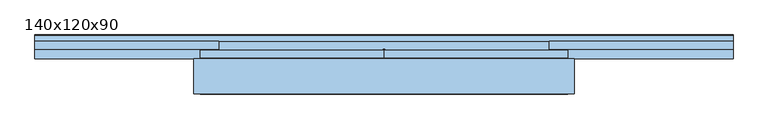
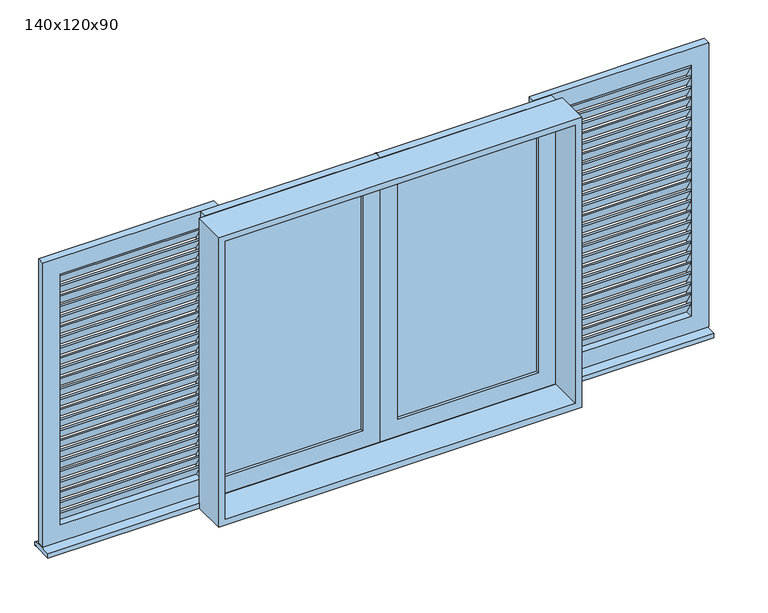
"""IFC4 building model written with IfcOpenShell, lengths in millimetres: window geometry, 140x120x90."""

from ifc_helpers import new_model, si_unit, point, frame, frame_2d, origin, place, context, project, spatial, polyline, circle_curve, trimmed, segment, composite_curve, outline, extrude, source, transform, mapped, element, save
from ifc_brep_helpers import plane_surface, cylinder_surface, revolved_surface, advanced_brep


def window_140x120x90_8c7393fc(model_context):
    return source(origin(), model_context, "Body", "SolidModel", [
        extrude(outline(polyline([(103.3273038, 1021.3496198), (103.3273038, 1013.5750173), (73.3273038, 1063.5750173), (73.3273038, 1071.3496198), (103.3273038, 1021.3496198)])), frame((-1260.0, 0.0, 0.0), z_axis=(1.0, 0.0, 0.0), x_axis=(0.0, 1.0, 0.0)), (0.0, 0.0, 1.0), 560.0),
        extrude(outline(polyline([(103.3273038, 1064.9246371), (103.3273038, 1057.1500346), (73.3273038, 1107.1500346), (73.3273038, 1114.9246371), (103.3273038, 1064.9246371)])), frame((-1260.0, 0.0, 0.0), z_axis=(1.0, 0.0, 0.0), x_axis=(0.0, 1.0, 0.0)), (0.0, 0.0, 1.0), 560.0),
        extrude(outline(polyline([(103.3273038, 1108.4996544), (103.3273038, 1100.7250518), (73.3273038, 1150.7250518), (73.3273038, 1158.4996544), (103.3273038, 1108.4996544)])), frame((-1260.0, 0.0, 0.0), z_axis=(1.0, 0.0, 0.0), x_axis=(0.0, 1.0, 0.0)), (0.0, 0.0, 1.0), 560.0),
        extrude(outline(polyline([(103.3273038, 1152.0746717), (103.3273038, 1144.3000691), (73.3273038, 1194.3000691), (73.3273038, 1202.0746717), (103.3273038, 1152.0746717)])), frame((-1260.0, 0.0, 0.0), z_axis=(1.0, 0.0, 0.0), x_axis=(0.0, 1.0, 0.0)), (0.0, 0.0, 1.0), 560.0),
        extrude(outline(polyline([(103.3273038, 1195.6496889), (103.3273038, 1187.8750864), (73.3273038, 1237.8750864), (73.3273038, 1245.6496889), (103.3273038, 1195.6496889)])), frame((-1260.0, 0.0, 0.0), z_axis=(1.0, 0.0, 0.0), x_axis=(0.0, 1.0, 0.0)), (0.0, 0.0, 1.0), 560.0),
        extrude(outline(polyline([(103.3273038, 1239.2247062), (103.3273038, 1231.4501037), (73.3273038, 1281.4501037), (73.3273038, 1289.2247062), (103.3273038, 1239.2247062)])), frame((-1260.0, 0.0, 0.0), z_axis=(1.0, 0.0, 0.0), x_axis=(0.0, 1.0, 0.0)), (0.0, 0.0, 1.0), 560.0),
        extrude(outline(polyline([(103.3273038, 1282.7997235), (103.3273038, 1275.025121), (73.3273038, 1325.025121), (73.3273038, 1332.7997235), (103.3273038, 1282.7997235)])), frame((-1260.0, 0.0, 0.0), z_axis=(1.0, 0.0, 0.0), x_axis=(0.0, 1.0, 0.0)), (0.0, 0.0, 1.0), 560.0),
        extrude(outline(polyline([(103.3273038, 1326.3747408), (103.3273038, 1318.6001383), (73.3273038, 1368.6001383), (73.3273038, 1376.3747408), (103.3273038, 1326.3747408)])), frame((-1260.0, 0.0, 0.0), z_axis=(1.0, 0.0, 0.0), x_axis=(0.0, 1.0, 0.0)), (0.0, 0.0, 1.0), 560.0),
        extrude(outline(polyline([(103.3273038, 1369.9497581), (103.3273038, 1362.1751555), (73.3273038, 1412.1751555), (73.3273038, 1419.9497581), (103.3273038, 1369.9497581)])), frame((-1260.0, 0.0, 0.0), z_axis=(1.0, 0.0, 0.0), x_axis=(0.0, 1.0, 0.0)), (0.0, 0.0, 1.0), 560.0),
        extrude(outline(polyline([(103.3273038, 1413.5247753), (103.3273038, 1405.7501728), (73.3273038, 1455.7501728), (73.3273038, 1463.5247753), (103.3273038, 1413.5247753)])), frame((-1260.0, 0.0, 0.0), z_axis=(1.0, 0.0, 0.0), x_axis=(0.0, 1.0, 0.0)), (0.0, 0.0, 1.0), 560.0),
        extrude(outline(polyline([(103.3273038, 1457.0997926), (103.3273038, 1449.3251901), (73.3273038, 1499.3251901), (73.3273038, 1507.0997926), (103.3273038, 1457.0997926)])), frame((-1260.0, 0.0, 0.0), z_axis=(1.0, 0.0, 0.0), x_axis=(0.0, 1.0, 0.0)), (0.0, 0.0, 1.0), 560.0),
        extrude(outline(polyline([(103.3273038, 1500.6748099), (103.3273038, 1492.9002074), (73.3273038, 1542.9002074), (73.3273038, 1550.6748099), (103.3273038, 1500.6748099)])), frame((-1260.0, 0.0, 0.0), z_axis=(1.0, 0.0, 0.0), x_axis=(0.0, 1.0, 0.0)), (0.0, 0.0, 1.0), 560.0),
        extrude(outline(polyline([(103.3273038, 1544.2498272), (103.3273038, 1536.4752247), (73.3273038, 1586.4752247), (73.3273038, 1594.2498272), (103.3273038, 1544.2498272)])), frame((-1260.0, 0.0, 0.0), z_axis=(1.0, 0.0, 0.0), x_axis=(0.0, 1.0, 0.0)), (0.0, 0.0, 1.0), 560.0),
        extrude(outline(polyline([(103.3273038, 1587.8248445), (103.3273038, 1580.0502419), (73.3273038, 1630.0502419), (73.3273038, 1637.8248445), (103.3273038, 1587.8248445)])), frame((-1260.0, 0.0, 0.0), z_axis=(1.0, 0.0, 0.0), x_axis=(0.0, 1.0, 0.0)), (0.0, 0.0, 1.0), 560.0),
        extrude(outline(polyline([(103.3273038, 1631.3998617), (103.3273038, 1623.6252592), (73.3273038, 1673.6252592), (73.3273038, 1681.3998617), (103.3273038, 1631.3998617)])), frame((-1260.0, 0.0, 0.0), z_axis=(1.0, 0.0, 0.0), x_axis=(0.0, 1.0, 0.0)), (0.0, 0.0, 1.0), 560.0),
        extrude(outline(polyline([(103.3273038, 1674.974879), (103.3273038, 1667.2002765), (73.3273038, 1717.2002765), (73.3273038, 1724.974879), (103.3273038, 1674.974879)])), frame((-1260.0, 0.0, 0.0), z_axis=(1.0, 0.0, 0.0), x_axis=(0.0, 1.0, 0.0)), (0.0, 0.0, 1.0), 560.0),
        extrude(outline(polyline([(103.3273038, 1718.5498963), (103.3273038, 1710.7752938), (73.3273038, 1760.7752938), (73.3273038, 1768.5498963), (103.3273038, 1718.5498963)])), frame((-1260.0, 0.0, 0.0), z_axis=(1.0, 0.0, 0.0), x_axis=(0.0, 1.0, 0.0)), (0.0, 0.0, 1.0), 560.0),
        extrude(outline(polyline([(103.3273038, 1762.1249136), (103.3273038, 1754.3503111), (73.3273038, 1804.3503111), (73.3273038, 1812.1249136), (103.3273038, 1762.1249136)])), frame((-1260.0, 0.0, 0.0), z_axis=(1.0, 0.0, 0.0), x_axis=(0.0, 1.0, 0.0)), (0.0, 0.0, 1.0), 560.0),
        extrude(outline(polyline([(103.3273038, 1805.6999309), (103.3273038, 1797.9253283), (73.3273038, 1847.9253283), (73.3273038, 1855.6999309), (103.3273038, 1805.6999309)])), frame((-1260.0, 0.0, 0.0), z_axis=(1.0, 0.0, 0.0), x_axis=(0.0, 1.0, 0.0)), (0.0, 0.0, 1.0), 560.0),
        extrude(outline(polyline([(103.3273038, 1849.2749482), (103.3273038, 1841.5003456), (73.3273038, 1891.5003456), (73.3273038, 1899.2749482), (103.3273038, 1849.2749482)])), frame((-1260.0, 0.0, 0.0), z_axis=(1.0, 0.0, 0.0), x_axis=(0.0, 1.0, 0.0)), (0.0, 0.0, 1.0), 560.0),
        extrude(outline(polyline([(103.3273038, 1892.8499654), (103.3273038, 1885.0753629), (73.3273038, 1935.0753629), (73.3273038, 1942.8499654), (103.3273038, 1892.8499654)])), frame((-1260.0, 0.0, 0.0), z_axis=(1.0, 0.0, 0.0), x_axis=(0.0, 1.0, 0.0)), (0.0, 0.0, 1.0), 560.0),
        extrude(outline(polyline([(103.3273038, 1936.4249827), (103.3273038, 1928.6503802), (73.3273038, 1978.6503802), (73.3273038, 1986.4249827), (103.3273038, 1936.4249827)])), frame((-1260.0, 0.0, 0.0), z_axis=(1.0, 0.0, 0.0), x_axis=(0.0, 1.0, 0.0)), (0.0, 0.0, 1.0), 560.0),
        extrude(outline(polyline([(103.3273038, 977.7746025), (103.3273038, 970.0), (73.3273038, 1020.0), (73.3273038, 1027.7746025), (103.3273038, 977.7746025)])), frame((-1260.0, 0.0, 0.0), z_axis=(1.0, 0.0, 0.0), x_axis=(0.0, 1.0, 0.0)), (0.0, 0.0, 1.0), 560.0),
        extrude(outline(polyline([(103.3273038, 1980.0), (103.3273038, 1972.2253975), (73.3273038, 2022.2253975), (73.3273038, 2030.0), (103.3273038, 1980.0)])), frame((-1260.0, 0.0, 0.0), z_axis=(1.0, 0.0, 0.0), x_axis=(0.0, 1.0, 0.0)), (0.0, 0.0, 1.0), 560.0),
        extrude(outline(polyline([(2100.0, -1330.0), (900.0, -1330.0), (900.0, -630.0), (2100.0, -630.0), (2100.0, -1330.0)]), holes=[polyline([(2030.0, -1260.0), (2030.0, -700.0), (970.0, -700.0), (970.0, -1260.0), (2030.0, -1260.0)])]), frame((0.0, 73.3273038, 0.0), z_axis=(0.0, 1.0, 0.0), x_axis=(0.0, 0.0, 1.0)), (0.0, 0.0, 1.0), 30.0),
        extrude(outline(polyline([(103.3273038, 1021.3496198), (103.3273038, 1013.5750173), (73.3273038, 1063.5750173), (73.3273038, 1071.3496198), (103.3273038, 1021.3496198)])), frame((700.0, 0.0, 0.0), z_axis=(1.0, 0.0, 0.0), x_axis=(0.0, 1.0, 0.0)), (0.0, 0.0, 1.0), 560.0),
        extrude(outline(polyline([(103.3273038, 1064.9246371), (103.3273038, 1057.1500346), (73.3273038, 1107.1500346), (73.3273038, 1114.9246371), (103.3273038, 1064.9246371)])), frame((700.0, 0.0, 0.0), z_axis=(1.0, 0.0, 0.0), x_axis=(0.0, 1.0, 0.0)), (0.0, 0.0, 1.0), 560.0),
        extrude(outline(polyline([(103.3273038, 1108.4996544), (103.3273038, 1100.7250518), (73.3273038, 1150.7250518), (73.3273038, 1158.4996544), (103.3273038, 1108.4996544)])), frame((700.0, 0.0, 0.0), z_axis=(1.0, 0.0, 0.0), x_axis=(0.0, 1.0, 0.0)), (0.0, 0.0, 1.0), 560.0),
        extrude(outline(polyline([(103.3273038, 1152.0746717), (103.3273038, 1144.3000691), (73.3273038, 1194.3000691), (73.3273038, 1202.0746717), (103.3273038, 1152.0746717)])), frame((700.0, 0.0, 0.0), z_axis=(1.0, 0.0, 0.0), x_axis=(0.0, 1.0, 0.0)), (0.0, 0.0, 1.0), 560.0),
        extrude(outline(polyline([(103.3273038, 1195.6496889), (103.3273038, 1187.8750864), (73.3273038, 1237.8750864), (73.3273038, 1245.6496889), (103.3273038, 1195.6496889)])), frame((700.0, 0.0, 0.0), z_axis=(1.0, 0.0, 0.0), x_axis=(0.0, 1.0, 0.0)), (0.0, 0.0, 1.0), 560.0),
        extrude(outline(polyline([(103.3273038, 1239.2247062), (103.3273038, 1231.4501037), (73.3273038, 1281.4501037), (73.3273038, 1289.2247062), (103.3273038, 1239.2247062)])), frame((700.0, 0.0, 0.0), z_axis=(1.0, 0.0, 0.0), x_axis=(0.0, 1.0, 0.0)), (0.0, 0.0, 1.0), 560.0),
        extrude(outline(polyline([(103.3273038, 1282.7997235), (103.3273038, 1275.025121), (73.3273038, 1325.025121), (73.3273038, 1332.7997235), (103.3273038, 1282.7997235)])), frame((700.0, 0.0, 0.0), z_axis=(1.0, 0.0, 0.0), x_axis=(0.0, 1.0, 0.0)), (0.0, 0.0, 1.0), 560.0),
        extrude(outline(polyline([(103.3273038, 1326.3747408), (103.3273038, 1318.6001383), (73.3273038, 1368.6001383), (73.3273038, 1376.3747408), (103.3273038, 1326.3747408)])), frame((700.0, 0.0, 0.0), z_axis=(1.0, 0.0, 0.0), x_axis=(0.0, 1.0, 0.0)), (0.0, 0.0, 1.0), 560.0),
        extrude(outline(polyline([(103.3273038, 1369.9497581), (103.3273038, 1362.1751555), (73.3273038, 1412.1751555), (73.3273038, 1419.9497581), (103.3273038, 1369.9497581)])), frame((700.0, 0.0, 0.0), z_axis=(1.0, 0.0, 0.0), x_axis=(0.0, 1.0, 0.0)), (0.0, 0.0, 1.0), 560.0),
        extrude(outline(polyline([(103.3273038, 1413.5247753), (103.3273038, 1405.7501728), (73.3273038, 1455.7501728), (73.3273038, 1463.5247753), (103.3273038, 1413.5247753)])), frame((700.0, 0.0, 0.0), z_axis=(1.0, 0.0, 0.0), x_axis=(0.0, 1.0, 0.0)), (0.0, 0.0, 1.0), 560.0),
        extrude(outline(polyline([(103.3273038, 1457.0997926), (103.3273038, 1449.3251901), (73.3273038, 1499.3251901), (73.3273038, 1507.0997926), (103.3273038, 1457.0997926)])), frame((700.0, 0.0, 0.0), z_axis=(1.0, 0.0, 0.0), x_axis=(0.0, 1.0, 0.0)), (0.0, 0.0, 1.0), 560.0),
        extrude(outline(polyline([(103.3273038, 1500.6748099), (103.3273038, 1492.9002074), (73.3273038, 1542.9002074), (73.3273038, 1550.6748099), (103.3273038, 1500.6748099)])), frame((700.0, 0.0, 0.0), z_axis=(1.0, 0.0, 0.0), x_axis=(0.0, 1.0, 0.0)), (0.0, 0.0, 1.0), 560.0),
        extrude(outline(polyline([(103.3273038, 1544.2498272), (103.3273038, 1536.4752247), (73.3273038, 1586.4752247), (73.3273038, 1594.2498272), (103.3273038, 1544.2498272)])), frame((700.0, 0.0, 0.0), z_axis=(1.0, 0.0, 0.0), x_axis=(0.0, 1.0, 0.0)), (0.0, 0.0, 1.0), 560.0),
        extrude(outline(polyline([(103.3273038, 1587.8248445), (103.3273038, 1580.0502419), (73.3273038, 1630.0502419), (73.3273038, 1637.8248445), (103.3273038, 1587.8248445)])), frame((700.0, 0.0, 0.0), z_axis=(1.0, 0.0, 0.0), x_axis=(0.0, 1.0, 0.0)), (0.0, 0.0, 1.0), 560.0),
        extrude(outline(polyline([(103.3273038, 1631.3998617), (103.3273038, 1623.6252592), (73.3273038, 1673.6252592), (73.3273038, 1681.3998617), (103.3273038, 1631.3998617)])), frame((700.0, 0.0, 0.0), z_axis=(1.0, 0.0, 0.0), x_axis=(0.0, 1.0, 0.0)), (0.0, 0.0, 1.0), 560.0),
        extrude(outline(polyline([(103.3273038, 1674.974879), (103.3273038, 1667.2002765), (73.3273038, 1717.2002765), (73.3273038, 1724.974879), (103.3273038, 1674.974879)])), frame((700.0, 0.0, 0.0), z_axis=(1.0, 0.0, 0.0), x_axis=(0.0, 1.0, 0.0)), (0.0, 0.0, 1.0), 560.0),
        extrude(outline(polyline([(103.3273038, 1718.5498963), (103.3273038, 1710.7752938), (73.3273038, 1760.7752938), (73.3273038, 1768.5498963), (103.3273038, 1718.5498963)])), frame((700.0, 0.0, 0.0), z_axis=(1.0, 0.0, 0.0), x_axis=(0.0, 1.0, 0.0)), (0.0, 0.0, 1.0), 560.0),
        extrude(outline(polyline([(103.3273038, 1762.1249136), (103.3273038, 1754.3503111), (73.3273038, 1804.3503111), (73.3273038, 1812.1249136), (103.3273038, 1762.1249136)])), frame((700.0, 0.0, 0.0), z_axis=(1.0, 0.0, 0.0), x_axis=(0.0, 1.0, 0.0)), (0.0, 0.0, 1.0), 560.0),
        extrude(outline(polyline([(103.3273038, 1805.6999309), (103.3273038, 1797.9253283), (73.3273038, 1847.9253283), (73.3273038, 1855.6999309), (103.3273038, 1805.6999309)])), frame((700.0, 0.0, 0.0), z_axis=(1.0, 0.0, 0.0), x_axis=(0.0, 1.0, 0.0)), (0.0, 0.0, 1.0), 560.0),
        extrude(outline(polyline([(103.3273038, 1849.2749482), (103.3273038, 1841.5003456), (73.3273038, 1891.5003456), (73.3273038, 1899.2749482), (103.3273038, 1849.2749482)])), frame((700.0, 0.0, 0.0), z_axis=(1.0, 0.0, 0.0), x_axis=(0.0, 1.0, 0.0)), (0.0, 0.0, 1.0), 560.0),
        extrude(outline(polyline([(103.3273038, 1892.8499654), (103.3273038, 1885.0753629), (73.3273038, 1935.0753629), (73.3273038, 1942.8499654), (103.3273038, 1892.8499654)])), frame((700.0, 0.0, 0.0), z_axis=(1.0, 0.0, 0.0), x_axis=(0.0, 1.0, 0.0)), (0.0, 0.0, 1.0), 560.0),
        extrude(outline(polyline([(103.3273038, 1936.4249827), (103.3273038, 1928.6503802), (73.3273038, 1978.6503802), (73.3273038, 1986.4249827), (103.3273038, 1936.4249827)])), frame((700.0, 0.0, 0.0), z_axis=(1.0, 0.0, 0.0), x_axis=(0.0, 1.0, 0.0)), (0.0, 0.0, 1.0), 560.0),
        extrude(outline(polyline([(103.3273038, 977.7746025), (103.3273038, 970.0), (73.3273038, 1020.0), (73.3273038, 1027.7746025), (103.3273038, 977.7746025)])), frame((700.0, 0.0, 0.0), z_axis=(1.0, 0.0, 0.0), x_axis=(0.0, 1.0, 0.0)), (0.0, 0.0, 1.0), 560.0),
        extrude(outline(polyline([(103.3273038, 1980.0), (103.3273038, 1972.2253975), (73.3273038, 2022.2253975), (73.3273038, 2030.0), (103.3273038, 1980.0)])), frame((700.0, 0.0, 0.0), z_axis=(1.0, 0.0, 0.0), x_axis=(0.0, 1.0, 0.0)), (0.0, 0.0, 1.0), 560.0),
        extrude(outline(polyline([(2100.0, 1330.0), (2100.0, 630.0), (900.0, 630.0), (900.0, 1330.0), (2100.0, 1330.0)]), holes=[polyline([(2030.0, 1260.0), (970.0, 1260.0), (970.0, 700.0), (2030.0, 700.0), (2030.0, 1260.0)])]), frame((0.0, 73.3273038, 0.0), z_axis=(0.0, 1.0, 0.0), x_axis=(0.0, 0.0, 1.0)), (0.0, 0.0, 1.0), 30.0),
        extrude(outline(polyline([(2100.0, 0.0), (900.0, 0.0), (900.0, 700.0), (2100.0, 700.0), (2100.0, 0.0)]), holes=[polyline([(2030.0, 70.0), (2030.0, 630.0), (970.0, 630.0), (970.0, 70.0), (2030.0, 70.0)])]), frame((0.0, 40.8273038, 0.0), z_axis=(0.0, 1.0, 0.0), x_axis=(0.0, 0.0, 1.0)), (0.0, 0.0, 1.0), 30.0),
        extrude(outline(polyline([(70.0, 52.8273038), (70.0, 58.8273038), (630.0, 58.8273038), (630.0, 52.8273038), (70.0, 52.8273038)])), frame((0.0, 0.0, 970.0), z_axis=(0.0, 0.0, 1.0), x_axis=(1.0, 0.0, 0.0)), (0.0, 0.0, 1.0), 1060.0),
        extrude(outline(polyline([(2100.0, 0.0), (2100.0, -700.0), (900.0, -700.0), (900.0, 0.0), (2100.0, 0.0)]), holes=[polyline([(2030.0, -70.0), (970.0, -70.0), (970.0, -630.0), (2030.0, -630.0), (2030.0, -70.0)])]), frame((0.0, 40.8273038, 0.0), z_axis=(0.0, 1.0, 0.0), x_axis=(0.0, 0.0, 1.0)), (0.0, 0.0, 1.0), 30.0),
        extrude(outline(polyline([(-70.0, 52.8273038), (-630.0, 52.8273038), (-630.0, 58.8273038), (-70.0, 58.8273038), (-70.0, 52.8273038)])), frame((0.0, 0.0, 970.0), z_axis=(0.0, 0.0, 1.0), x_axis=(1.0, 0.0, 0.0)), (0.0, 0.0, 1.0), 1060.0),
        advanced_brep(
        [(725.0, -96.6726962, 2100.0), (-725.0, -96.6726962, 2100.0), (-725.0, -96.6726962, 875.0), (725.0, -96.6726962, 875.0), (700.0, -96.6726962, 2075.0), (700.0, -96.6726962, 900.0), (-700.0, -96.6726962, 900.0), (-700.0, -96.6726962, 2075.0), (-725.0, 38.3273038, 2100.0), (725.0, 38.3273038, 2100.0), (725.0, 38.3273038, 895.0), (-725.0, 38.3273038, 895.0), (700.0, 38.3273038, 2075.0), (-700.0, 38.3273038, 2075.0), (-700.0, 38.3273038, 900.0), (700.0, 38.3273038, 900.0), (-725.0, 38.3273038, 875.0), (-1330.0, 38.3273038, 875.0), (-1330.0, 113.3273038, 875.0), (1330.0, 113.3273038, 875.0), (1330.0, 38.3273038, 875.0), (725.0, 38.3273038, 875.0), (-1330.0, 38.3273038, 895.0), (-1330.0, 103.3273038, 895.0), (-1330.0, 125.8482484, 891.0289498), (-1330.0, 128.3273038, 888.0745266), (-1330.0, 128.3273038, 875.0), (-1330.0, 123.3273038, 875.0), (1330.0, 38.3273038, 895.0), (1330.0, 123.3273038, 875.0), (1330.0, 128.3273038, 875.0), (1330.0, 128.3273038, 888.0745266), (1330.0, 125.8482484, 891.0289498), (1330.0, 103.3273038, 895.0)],
        [
            (0, 1),
            (1, 2),
            (2, 3),
            (3, 0),
            (4, 5),
            (5, 6),
            (6, 7),
            (7, 4),
            (8, 9),
            (9, 10),
            (10, 11),
            (11, 8),
            (12, 13),
            (13, 14),
            (14, 15),
            (15, 12),
            (0, 9),
            (8, 1),
            (11, 16),
            (16, 2),
            (16, 17),
            (17, 18),
            (18, 19),
            (19, 20),
            (20, 21),
            (21, 3),
            (21, 10),
            (4, 12),
            (15, 5),
            (14, 6),
            (13, 7),
            (22, 23),
            (23, 24),
            (24, 25, circle_curve(frame((-1330.0, 125.3273038, 888.0745266), z_axis=(-1.0, 0.0, 0.0), x_axis=(0.0, -1.0, 0.0)), 3.0)),
            (25, 26),
            (26, 27),
            (27, 18, circle_curve(frame((-1330.0, 118.3273038, 875.0), z_axis=(1.0, 0.0, 0.0), x_axis=(0.0, -1.0, 0.0)), 5.0)),
            (17, 22),
            (28, 20),
            (19, 29, circle_curve(frame((1330.0, 118.3273038, 875.0), z_axis=(-1.0, 0.0, 0.0), x_axis=(0.0, -1.0, 0.0)), 5.0)),
            (29, 30),
            (30, 31),
            (31, 32, circle_curve(frame((1330.0, 125.3273038, 888.0745266), z_axis=(1.0, 0.0, 0.0), x_axis=(0.0, -1.0, 0.0)), 3.0)),
            (32, 33),
            (33, 28),
            (22, 11),
            (10, 28),
            (33, 23),
            (32, 24),
            (31, 25),
            (30, 26),
            (29, 27),
        ],
        [
            plane_surface(frame((-725.0, -96.6726962, 2100.0), z_axis=(0.0, -1.0, 0.0), x_axis=(-1.0, 0.0, 0.0))),
            plane_surface(frame((-725.0, 38.3273038, 2100.0), z_axis=(0.0, 1.0, 0.0), x_axis=(1.0, 0.0, 0.0))),
            plane_surface(frame((725.0, -96.6726962, 2100.0), z_axis=(0.0, 0.0, 1.0), x_axis=(0.0, 1.0, 0.0))),
            plane_surface(frame((-725.0, -96.6726962, 2100.0), z_axis=(-1.0, 0.0, 0.0), x_axis=(0.0, 1.0, 0.0))),
            plane_surface(frame((-725.0, -96.6726962, 875.0), z_axis=(0.0, 0.0, -1.0), x_axis=(0.0, 1.0, 0.0))),
            plane_surface(frame((725.0, -96.6726962, 875.0), z_axis=(1.0, 0.0, 0.0), x_axis=(0.0, 1.0, 0.0))),
            plane_surface(frame((700.0, -96.6726962, 2075.0), z_axis=(-1.0, 0.0, 0.0), x_axis=(0.0, 1.0, 0.0))),
            plane_surface(frame((700.0, -96.6726962, 900.0), z_axis=(0.0, 0.0, 1.0), x_axis=(0.0, 1.0, 0.0))),
            plane_surface(frame((-700.0, -96.6726962, 900.0), z_axis=(1.0, 0.0, 0.0), x_axis=(0.0, 1.0, 0.0))),
            plane_surface(frame((-700.0, -96.6726962, 2075.0), z_axis=(0.0, 0.0, -1.0), x_axis=(0.0, 1.0, 0.0))),
            plane_surface(frame((-1330.0, 38.3273038, 895.0), z_axis=(-1.0, 0.0, 0.0), x_axis=(0.0, 1.0, 0.0))),
            plane_surface(frame((1330.0, 38.3273038, 895.0), z_axis=(1.0, 0.0, 0.0), x_axis=(0.0, -1.0, 0.0))),
            plane_surface(frame((-1330.0, 38.3273038, 895.0), z_axis=(0.0, 0.0, 1.0), x_axis=(1.0, 0.0, 0.0))),
            plane_surface(frame((-1330.0, 38.3273038, 875.0), z_axis=(0.0, -1.0, 0.0), x_axis=(1.0, 0.0, 0.0))),
            plane_surface(frame((-1330.0, 103.3273038, 895.0), z_axis=(0.0, 0.1736481776665278, 0.9848077530122791), x_axis=(1.0, 0.0, 0.0))),
            cylinder_surface(frame((1330.0, 125.3273038, 888.0745266), z_axis=(-1.0, 0.0, 0.0), x_axis=(0.0, -1.0, 0.0)), 3.0),
            plane_surface(frame((-1330.0, 128.3273038, 888.0745266), z_axis=(0.0, 1.0, 0.0), x_axis=(1.0, 0.0, 0.0))),
            plane_surface(frame((-1330.0, 128.3273038, 875.0), z_axis=(0.0, 0.0, -1.0), x_axis=(1.0, 0.0, 0.0))),
            revolved_surface(polyline([(1330.0, 113.3273038, 875.0), (-1330.0, 113.3273038, 875.0)]), (1330.0, 118.3273038, 875.0), (1.0, 0.0, 0.0)),
        ],
        [
            (0, [[1, 2, 3, 4], [5, 6, 7, 8]]),
            (1, [[9, 10, 11, 12], [13, 14, 15, 16]]),
            (2, [[-1, 17, -9, 18]]),
            (3, [[-2, -18, -12, 19, 20]]),
            (4, [[-3, -20, 21, 22, 23, 24, 25, 26]]),
            (5, [[-4, -26, 27, -10, -17]]),
            (6, [[-5, 28, -16, 29]]),
            (7, [[-6, -29, -15, 30]]),
            (8, [[-7, -30, -14, 31]]),
            (9, [[-8, -31, -13, -28]]),
            (10, [[32, 33, 34, 35, 36, 37, -22, 38]]),
            (11, [[39, -24, 40, 41, 42, 43, 44, 45]]),
            (12, [[-32, 46, -11, 47, -45, 48]]),
            (13, [[-38, -21, -19, -46]]),
            (13, [[-39, -47, -27, -25]]),
            (14, [[-33, -48, -44, 49]]),
            (15, [[-34, -49, -43, 50]]),
            (16, [[-35, -50, -42, 51]]),
            (17, [[-36, -51, -41, 52]]),
            (18, [[-37, -52, -40, -23]]),
        ],
    ),
        extrude(outline(composite_curve([segment(polyline([(4.4696899, 70.8273038), (-4.4696899, 70.8273038)]), True, "CONTINUOUS"), segment(trimmed(circle_curve(frame_2d((-2.2348449, 70.8273038)), 2.2348449), [point((-4.4696899, 70.8273038))], [point((-2.2348449, 73.0621488))], False, "CARTESIAN"), True, "CONTINUOUS"), segment(polyline([(-2.2348449, 73.0621488), (2.2348449, 73.0621488)]), True, "CONTINUOUS"), segment(trimmed(circle_curve(frame_2d((2.2348449, 70.8273038)), 2.2348449), [point((2.2348449, 73.0621488))], [point((4.4696899, 70.8273038))], False, "CARTESIAN"), True, "CONTINUOUS")], self_intersect=False)), frame((0.0, 0.0, 900.0), z_axis=(0.0, 0.0, 1.0), x_axis=(1.0, 0.0, 0.0)), (0.0, 0.0, 1.0), 1200.0),
    ])


if __name__ == "__main__":
    model = new_model("IFC4")
    model_context = context("Model", 3, world=origin())
    ifc_project = project(units=[si_unit("LENGTHUNIT", "METRE", prefix="MILLI")], contexts=[model_context])
    site = spatial("IfcSite", under=ifc_project)
    building = spatial("IfcBuilding", under=site)
    placement = place(None, origin())
    window_140x120x90_shape = window_140x120x90_8c7393fc(model_context)
    element("IfcWindow", 1, ObjectType="140x120x90", at=placement, inside=building, context=model_context, shape_type="MappedRepresentation", body=[
        mapped(window_140x120x90_shape, transform((0.0, 0.0, 0.0), x_axis=(1.0, 0.0, 0.0), y_axis=(0.0, 1.0, 0.0), z_axis=(0.0, 0.0, 1.0))),
    ])
    save(model, "model.ifc")
